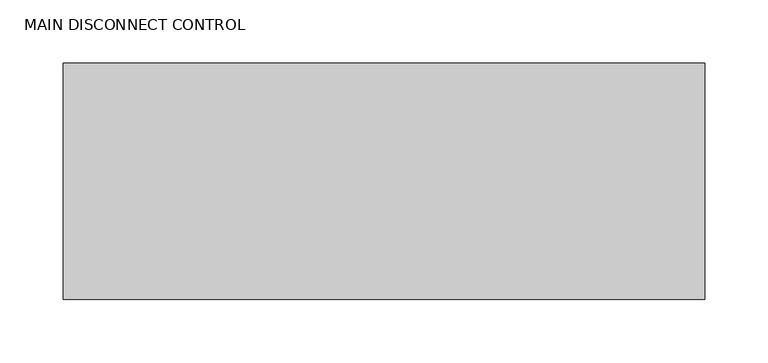
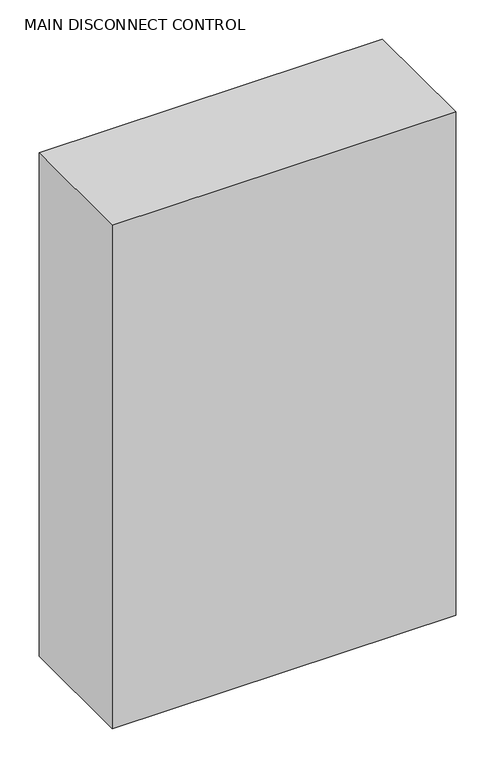
"""IFC4 building model written with IfcOpenShell, lengths in millimetres: proxy geometry, MAIN DISCONNECT CONTROL."""

import ifcopenshell
import ifcopenshell.guid

model = None  # the IFC model being written
_history = None  # IfcOwnerHistory: only IFC2X3 demands one
_inside = {}  # id of a spatial element -> (the spatial element, [elements in it])
_under = {}  # id of a project, library or spatial element -> (it, [spatial elements below it])
_declared = {}  # id of a project -> (the project, [libraries it declares])
_typed = {}  # id of a type object -> (the type object, [elements of that type])
_made_of = {}  # id of a material, layer set ... -> (it, [elements and type objects made of it])


def new_model(schema):
    """Start an empty IFC model of exactly this schema.

    Asked for "IFC4X3", IfcOpenShell would pick the latest addendum, in which some entities
    have other attributes; the version numbers below select the first issue.
    IFC2X3 requires an IfcOwnerHistory on every rooted entity: one is made here for all.
    """
    global model, _history
    if schema == "IFC4X3":
        model = ifcopenshell.file(schema_version=(4, 3, 0, 0))
    else:
        model = ifcopenshell.file(schema=schema)
    _inside.clear()
    _under.clear()
    _declared.clear()
    _typed.clear()
    _made_of.clear()
    _history = None
    if model.schema == "IFC2X3":
        org = make("IfcOrganization", Name="unknown")
        user = make(
            "IfcPersonAndOrganization",
            ThePerson=make("IfcPerson", FamilyName="unknown"),
            TheOrganization=org,
        )
        app = make(
            "IfcApplication",
            ApplicationDeveloper=org,
            Version="unknown",
            ApplicationFullName="unknown",
            ApplicationIdentifier="unknown",
        )
        _history = make(
            "IfcOwnerHistory",
            OwningUser=user,
            OwningApplication=app,
            ChangeAction="ADDED",
            CreationDate=0,
        )
    return model


def make(cls, **values):
    """One entity of the class cls with the attributes given. An attribute that is None is left unset."""
    return model.create_entity(
        cls, **{name: value for name, value in values.items() if value is not None}
    )


def rooted(cls, **values):
    """An entity with a GlobalId (a new one), such as an element, a storey or a relation."""
    return make(cls, GlobalId=ifcopenshell.guid.new(), OwnerHistory=_history, **values)


def si_unit(unit_type, name, prefix=None):
    """IfcSIUnit, for example si_unit("LENGTHUNIT", "METRE", prefix="MILLI")."""
    return make("IfcSIUnit", UnitType=unit_type, Prefix=prefix, Name=name)


def assignment(units):
    """IfcUnitAssignment: the units of a project."""
    return None if units is None else make("IfcUnitAssignment", Units=units)


def point(xyz):
    """IfcCartesianPoint."""
    return None if xyz is None else make("IfcCartesianPoint", Coordinates=xyz)


def direction(xyz):
    """IfcDirection."""
    return None if xyz is None else make("IfcDirection", DirectionRatios=xyz)


def frame(location, z_axis=None, x_axis=None):
    """IfcAxis2Placement3D, a coordinate frame: its origin and axes. An axis left out is left unset."""
    return make(
        "IfcAxis2Placement3D",
        Location=point(location),
        Axis=direction(z_axis),
        RefDirection=direction(x_axis),
    )


def origin():
    """The frame at (0, 0, 0) with its axes left unset."""
    return frame((0.0, 0.0, 0.0))


def place(relative_to, where):
    """IfcLocalPlacement: puts the frame where relative to a parent placement (None: the world)."""
    return make(
        "IfcLocalPlacement", PlacementRelTo=relative_to, RelativePlacement=where
    )


def context(
    kind, dimensions, precision=None, world=None, true_north=None, identifier=None
):
    """IfcGeometricRepresentationContext, for example the 3D "Model" context."""
    return make(
        "IfcGeometricRepresentationContext",
        ContextIdentifier=identifier,
        ContextType=kind,
        CoordinateSpaceDimension=dimensions,
        Precision=precision,
        WorldCoordinateSystem=world,
        TrueNorth=true_north,
    )


def project(units=None, contexts=None):
    """IfcProject with its units and contexts."""
    return rooted(
        "IfcProject",
        Name="project",
        RepresentationContexts=contexts,
        UnitsInContext=assignment(units),
    )


def spatial(cls, under=None, at=None, **own):
    """A site, building, storey or space (cls), placed at a placement, below another one or the project."""
    s = rooted(cls, ObjectPlacement=at, **own)
    if under is not None:
        _under.setdefault(under.id(), (under, []))[1].append(s)
    return s


def polyline(points):
    """IfcPolyline through the points."""
    return make("IfcPolyline", Points=[point(p) for p in points])


def outline(outer, holes=None, kind="AREA"):
    """IfcArbitraryClosedProfileDef: a profile drawn as a closed curve; with holes, ...WithVoids."""
    if holes is None:
        return make("IfcArbitraryClosedProfileDef", ProfileType=kind, OuterCurve=outer)
    return make(
        "IfcArbitraryProfileDefWithVoids",
        ProfileType=kind,
        OuterCurve=outer,
        InnerCurves=holes,
    )


def extrude(swept, where, along, depth):
    """IfcExtrudedAreaSolid: the profile swept, set in the frame where, extruded along a direction by depth."""
    return make(
        "IfcExtrudedAreaSolid",
        SweptArea=swept,
        Position=where,
        ExtrudedDirection=direction(along),
        Depth=depth,
    )


def shape(context_of_items, identifier, shape_type, items):
    """IfcShapeRepresentation: the items that make up one representation, for example the "Body"."""
    return make(
        "IfcShapeRepresentation",
        ContextOfItems=context_of_items,
        RepresentationIdentifier=identifier,
        RepresentationType=shape_type,
        Items=items,
    )


def source(mapping_origin, context_of_items, identifier, shape_type, items):
    """IfcRepresentationMap: a shape defined once, which mapped items show again and again."""
    return make(
        "IfcRepresentationMap",
        MappingOrigin=mapping_origin,
        MappedRepresentation=shape(context_of_items, identifier, shape_type, items),
    )


def transform(
    local_origin,
    x_axis=None,
    y_axis=None,
    z_axis=None,
    scale=None,
    scale2=None,
    scale3=None,
    uniform=True,
):
    """IfcCartesianTransformationOperator3D, or its non-uniform kind. x_axis, y_axis, z_axis: its Axis1, 2, 3."""
    if uniform:
        return make(
            "IfcCartesianTransformationOperator3D",
            Axis1=direction(x_axis),
            Axis2=direction(y_axis),
            LocalOrigin=point(local_origin),
            Scale=scale,
            Axis3=direction(z_axis),
        )
    return make(
        "IfcCartesianTransformationOperator3DnonUniform",
        Axis1=direction(x_axis),
        Axis2=direction(y_axis),
        LocalOrigin=point(local_origin),
        Scale=scale,
        Axis3=direction(z_axis),
        Scale2=scale2,
        Scale3=scale3,
    )


def mapped(mapping_source, mapping_target):
    """IfcMappedItem: shows the shape of a source again, moved by a transform."""
    return make(
        "IfcMappedItem", MappingSource=mapping_source, MappingTarget=mapping_target
    )


def made_of(thing, what):
    """Note that an element or type object is made of a material, layer set ...; save() writes the relation."""
    if what is not None:
        _made_of.setdefault(what.id(), (what, []))[1].append(thing)
    return thing


def element(
    cls,
    number,
    at=None,
    inside=None,
    cuts=None,
    type_object=None,
    material=None,
    context=None,
    identifier="Body",
    shape_type=None,
    held_by="IfcProductDefinitionShape",
    body=None,
    shapes=None,
    **own,
):
    """One element of the class cls, such as IfcWall. Its Tag is "e" and its number.

    at: its placement. inside: the storey or other place that contains it. cuts: it is an
    opening in that element (IfcRelVoidsElement). A single representation is given by context,
    identifier, shape_type and body (its items); several are given by shapes. held_by: the class
    of the entity that holds the representations. save() writes the other relations.
    """
    e = rooted(cls, Tag="e%d" % number, ObjectPlacement=at, **own)
    if body is not None:
        shapes = [shape(context, identifier, shape_type, body)]
    if shapes is not None:
        e.Representation = make(held_by, Representations=shapes)
    if inside is not None:
        _inside.setdefault(inside.id(), (inside, []))[1].append(e)
    if cuts is not None:
        rooted(
            "IfcRelVoidsElement", RelatingBuildingElement=cuts, RelatedOpeningElement=e
        )
    if type_object is not None:
        _typed.setdefault(type_object.id(), (type_object, []))[1].append(e)
    return made_of(e, material)


def aggregate(whole, parts):
    """IfcRelAggregates: a whole, such as a stair, and the parts it consists of."""
    return rooted("IfcRelAggregates", RelatingObject=whole, RelatedObjects=parts)


def save(model, path):
    """Write the relations noted so far, then the file.

    IfcRelAggregates (storeys below a building ...), IfcRelContainedInSpatialStructure (elements
    in a storey), IfcRelDefinesByType, IfcRelAssociatesMaterial and IfcRelDeclares: one each for
    every whole, place, type object, material and project.
    """
    for whole, parts in _under.values():
        aggregate(whole, parts)
    for where, things in _inside.values():
        rooted(
            "IfcRelContainedInSpatialStructure",
            RelatedElements=things,
            RelatingStructure=where,
        )
    for kind, things in _typed.values():
        rooted("IfcRelDefinesByType", RelatedObjects=things, RelatingType=kind)
    for what, things in _made_of.values():
        rooted("IfcRelAssociatesMaterial", RelatedObjects=things, RelatingMaterial=what)
    for by, libraries in _declared.values():
        rooted("IfcRelDeclares", RelatingContext=by, RelatedDefinitions=libraries)
    model.write(path)


def main_disconnect_control_59d2a529(model_context):
    return source(origin(), model_context, "Body", "SweptSolid", [
        extrude(outline(polyline([(254.0, 88.9), (254.0, -98.552), (-254.0, -98.552), (-254.0, 88.9), (254.0, 88.9)])), frame((0.0, 0.0, 1219.2), z_axis=(0.0, 0.0, 1.0), x_axis=(1.0, 0.0, 0.0)), (0.0, 0.0, 1.0), 787.4),
    ])


if __name__ == "__main__":
    model = new_model("IFC4")
    model_context = context("Model", 3, world=origin())
    ifc_project = project(units=[si_unit("LENGTHUNIT", "METRE", prefix="MILLI")], contexts=[model_context])
    site = spatial("IfcSite", under=ifc_project)
    building = spatial("IfcBuilding", under=site)
    placement = place(None, origin())
    main_disconnect_control_shape = main_disconnect_control_59d2a529(model_context)
    element("IfcBuildingElementProxy", 1, Name="MAIN DISCONNECT CONTROL", ObjectType="MAIN DISCONNECT CONTROL", at=placement, inside=building, context=model_context, shape_type="MappedRepresentation", body=[
        mapped(main_disconnect_control_shape, transform((0.0, 0.0, 0.0), x_axis=(1.0, 0.0, 0.0), y_axis=(0.0, 1.0, 0.0), z_axis=(0.0, 0.0, 1.0))),
    ])
    save(model, "model.ifc")
